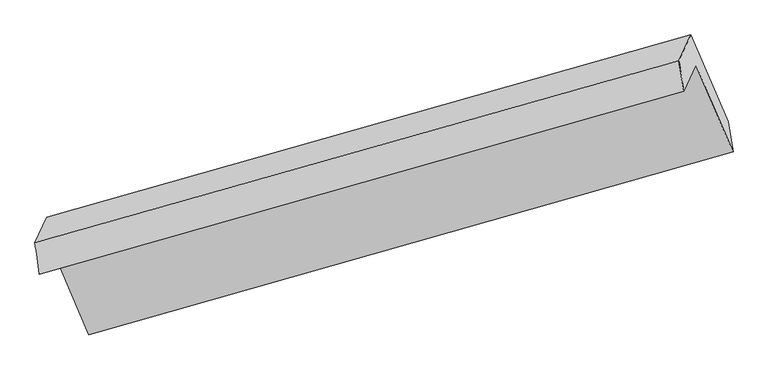
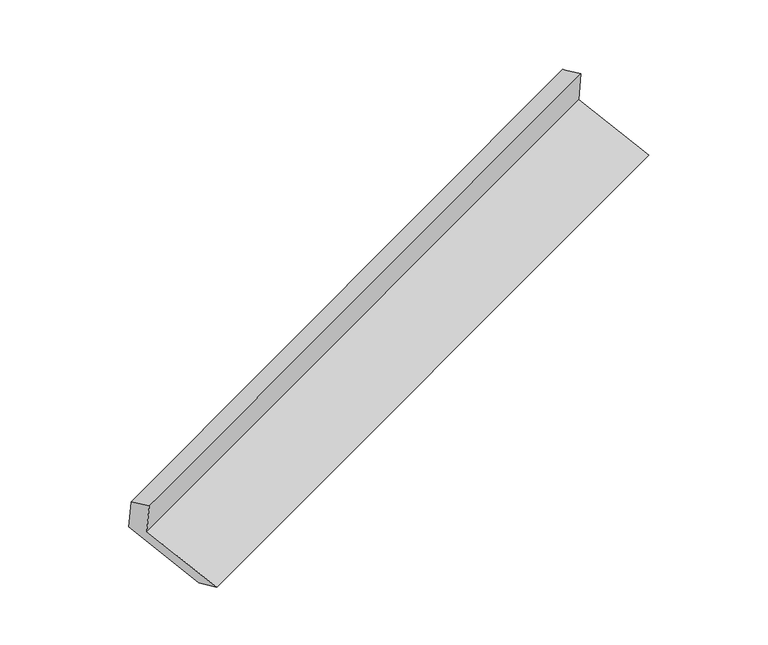
"""IFC4 building model written with IfcOpenShell, lengths in millimetres: proxy geometry."""

from ifc_helpers import new_model, si_unit, frame, origin, place, context, project, spatial, source, transform, mapped, element, save
from ifc_brep_helpers import plane_surface, spline_surface, advanced_brep


def generic_models_0b42d00c(model_context):
    return source(origin(), model_context, "Body", "AdvancedBrep", [
        advanced_brep(
        [(-5125.5508436, -2139.8541345, 1499.8514883), (-5044.3882931, -1964.4399057, 1139.4308139), (-756.3356532, -748.597902, 2696.7922984), (-837.4982038, -924.0121308, 3057.2129729), (-5155.4062233, -1930.8731652, 1417.848463), (-869.338119, -719.3202798, 2984.0227271), (-5076.2282083, -1759.7480547, 1066.2405681), (-790.1601041, -548.1951693, 2632.4148321), (-4828.7815221, -2337.9034139, 840.5785069), (-542.7134178, -1126.3505285, 2406.752771), (-4796.9416068, -2542.5952649, 913.7687527), (-508.888967, -1326.7532611, 2471.1302373)],
        [
            (0, 1),
            (1, 2),
            (2, 3),
            (3, 0),
            (4, 0),
            (3, 5),
            (5, 4),
            (6, 4),
            (5, 7),
            (7, 6),
            (8, 6),
            (7, 9),
            (9, 8),
            (10, 8),
            (9, 11),
            (11, 10),
            (1, 10),
            (11, 2),
        ],
        [
            plane_surface(frame((-5084.9695684, -2052.1470201, 1319.6411511), z_axis=(0.3684263116009126, -0.865862452197016, -0.33844389017312465), x_axis=(0.19845356055196364, 0.42891183232576147, -0.8812779495682427))),
            spline_surface(1, 1, [[(-5155.4062233, -1930.8731652, 1417.848463), (-869.338119, -719.3202798, 2984.0227271)], [(-5125.5508436, -2139.8541345, 1499.8514883), (-837.4982038, -924.0121308, 3057.2129729)]], [2, 2], [2, 2], [0.0, 1.0], [0.0, 1.0]),
            plane_surface(frame((-5115.8172158, -1845.3106099, 1242.0445155), z_axis=(-0.3684263116009152, 0.8658624521970155, 0.3384438901731223), x_axis=(-0.198453560551964, -0.4289118323257603, 0.8812779495682431))),
            plane_surface(frame((-4952.5048652, -2048.8257343, 953.4095375), z_axis=(0.20037512459856888, 0.429460193115133, -0.8805758070555998), x_axis=(-0.3703491515038667, 0.8653150702845539, 0.3377444819960848))),
            spline_surface(1, 1, [[(-4796.9416068, -2542.5952649, 913.7687527), (-508.888967, -1326.7532611, 2471.1302373)], [(-4828.7815221, -2337.9034139, 840.5785069), (-542.7134178, -1126.3505285, 2406.752771)]], [2, 2], [2, 2], [0.0, 1.0], [0.0, 1.0]),
            plane_surface(frame((-4920.6649499, -2253.5175853, 1026.5997833), z_axis=(-0.1984535605519634, -0.42891183232576846, 0.8812779495682395), x_axis=(0.37034915150386505, -0.8653150702845501, -0.3377444819960963))),
            plane_surface(frame((-717.4890775, -898.8715453, 2708.0543065), z_axis=(0.9074456955017274, 0.25935394585276456, 0.3305719898690568), x_axis=(-0.3703491515038667, 0.8653150702845539, 0.3377444819960848))),
            plane_surface(frame((-5004.5494495, -2112.5689898, 1146.2864322), z_axis=(-0.9074456955017192, -0.2593539458527837, -0.3305719898690644), x_axis=(-0.19845356055196364, -0.42891183232576147, 0.8812779495682427))),
        ],
        [
            (0, [[1, 2, 3, 4]]),
            (1, [[5, -4, 6, 7]]),
            (2, [[8, -7, 9, 10]]),
            (3, [[11, -10, 12, 13]]),
            (4, [[14, -13, 15, 16]]),
            (5, [[17, -16, 18, -2]]),
            (6, [[-12, -9, -6, -3, -18, -15]]),
            (7, [[-1, -5, -8, -11, -14, -17]]),
        ],
    ),
    ])


if __name__ == "__main__":
    model = new_model("IFC4")
    model_context = context("Model", 3, world=origin())
    ifc_project = project(units=[si_unit("LENGTHUNIT", "METRE", prefix="MILLI")], contexts=[model_context])
    site = spatial("IfcSite", under=ifc_project)
    building = spatial("IfcBuilding", under=site)
    placement = place(None, origin())
    generic_models_shape = generic_models_0b42d00c(model_context)
    element("IfcBuildingElementProxy", 1, Name="Generic Models", at=placement, inside=building, context=model_context, shape_type="MappedRepresentation", body=[
        mapped(generic_models_shape, transform((0.0, 0.0, 0.0), x_axis=(1.0, 0.0, 0.0), y_axis=(0.0, 1.0, 0.0), z_axis=(0.0, 0.0, 1.0))),
    ])
    save(model, "model.ifc")
